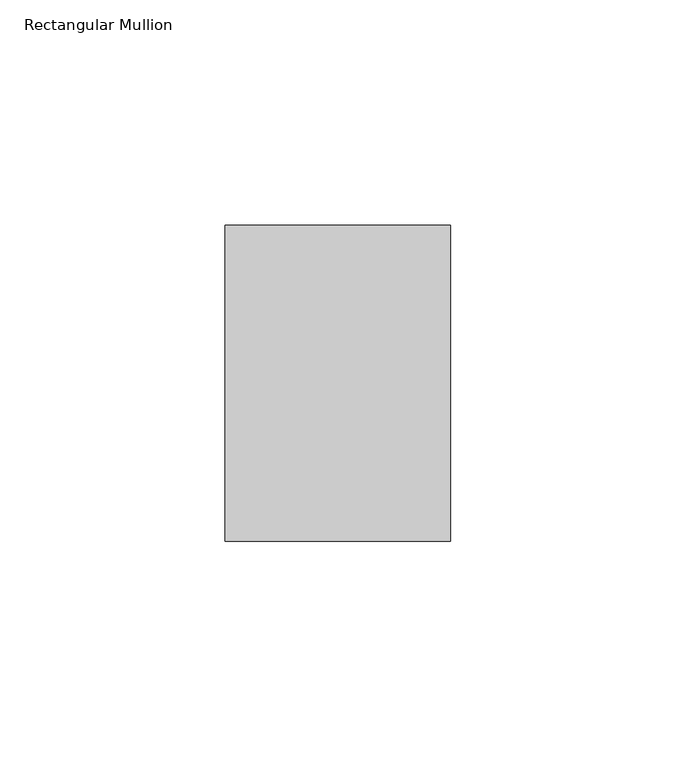
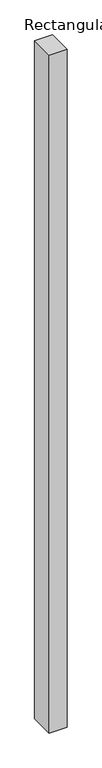
"""IFC4 building model written with IfcOpenShell, lengths in millimetres: member geometry, Rectangular Mullion."""

from ifc_helpers import new_model, si_unit, frame, origin, place, context, project, spatial, polyline, outline, extrude, source, transform, mapped, element, save


def rectangular_mullion_023db9f1(model_context):
    return source(origin(), model_context, "Body", "SweptSolid", [
        extrude(outline(polyline([(0.0, 35.0), (0.0, -35.0), (-50.0, -35.0), (-50.0, 35.0), (0.0, 35.0)])), frame((0.0, 0.0, -2000.0), z_axis=(0.0, 0.0, 1.0), x_axis=(1.0, 0.0, 0.0)), (0.0, 0.0, 1.0), 2000.0),
    ])


if __name__ == "__main__":
    model = new_model("IFC4")
    model_context = context("Model", 3, world=origin())
    ifc_project = project(units=[si_unit("LENGTHUNIT", "METRE", prefix="MILLI")], contexts=[model_context])
    site = spatial("IfcSite", under=ifc_project)
    building = spatial("IfcBuilding", under=site)
    placement = place(None, origin())
    rectangular_mullion_shape = rectangular_mullion_023db9f1(model_context)
    element("IfcMember", 1, ObjectType="Rectangular Mullion", at=placement, inside=building, context=model_context, shape_type="MappedRepresentation", body=[
        mapped(rectangular_mullion_shape, transform((0.0, 0.0, 0.0), x_axis=(1.0, 0.0, 0.0), y_axis=(0.0, 1.0, 0.0), z_axis=(0.0, 0.0, 1.0))),
    ])
    save(model, "model.ifc")
